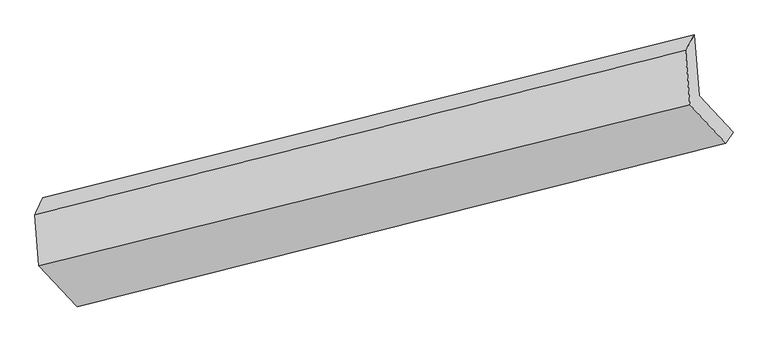
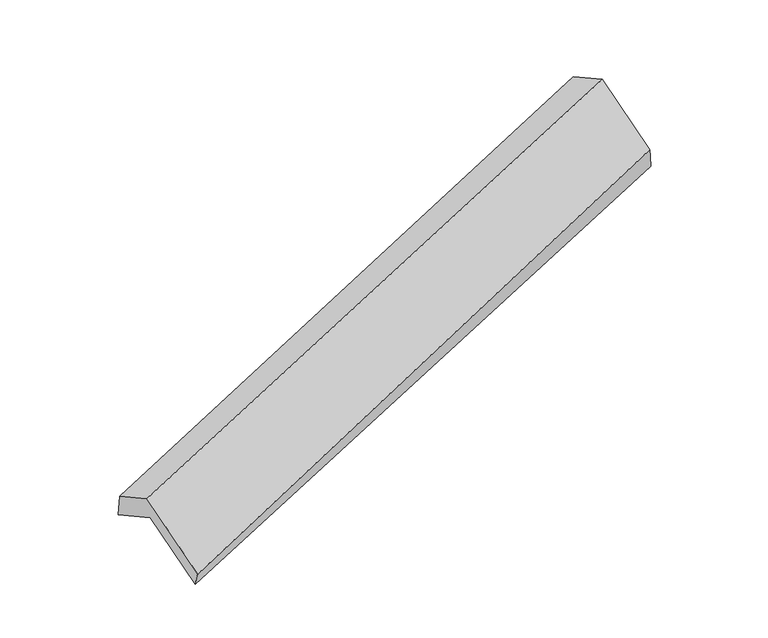
"""IFC4 building model written with IfcOpenShell, lengths in millimetres: proxy geometry."""

import ifcopenshell
import ifcopenshell.guid

model = None  # the IFC model being written
_history = None  # IfcOwnerHistory: only IFC2X3 demands one
_inside = {}  # id of a spatial element -> (the spatial element, [elements in it])
_under = {}  # id of a project, library or spatial element -> (it, [spatial elements below it])
_declared = {}  # id of a project -> (the project, [libraries it declares])
_typed = {}  # id of a type object -> (the type object, [elements of that type])
_made_of = {}  # id of a material, layer set ... -> (it, [elements and type objects made of it])


def new_model(schema):
    """Start an empty IFC model of exactly this schema.

    Asked for "IFC4X3", IfcOpenShell would pick the latest addendum, in which some entities
    have other attributes; the version numbers below select the first issue.
    IFC2X3 requires an IfcOwnerHistory on every rooted entity: one is made here for all.
    """
    global model, _history
    if schema == "IFC4X3":
        model = ifcopenshell.file(schema_version=(4, 3, 0, 0))
    else:
        model = ifcopenshell.file(schema=schema)
    _inside.clear()
    _under.clear()
    _declared.clear()
    _typed.clear()
    _made_of.clear()
    _history = None
    if model.schema == "IFC2X3":
        org = make("IfcOrganization", Name="unknown")
        user = make(
            "IfcPersonAndOrganization",
            ThePerson=make("IfcPerson", FamilyName="unknown"),
            TheOrganization=org,
        )
        app = make(
            "IfcApplication",
            ApplicationDeveloper=org,
            Version="unknown",
            ApplicationFullName="unknown",
            ApplicationIdentifier="unknown",
        )
        _history = make(
            "IfcOwnerHistory",
            OwningUser=user,
            OwningApplication=app,
            ChangeAction="ADDED",
            CreationDate=0,
        )
    return model


def make(cls, **values):
    """One entity of the class cls with the attributes given. An attribute that is None is left unset."""
    return model.create_entity(
        cls, **{name: value for name, value in values.items() if value is not None}
    )


def rooted(cls, **values):
    """An entity with a GlobalId (a new one), such as an element, a storey or a relation."""
    return make(cls, GlobalId=ifcopenshell.guid.new(), OwnerHistory=_history, **values)


def si_unit(unit_type, name, prefix=None):
    """IfcSIUnit, for example si_unit("LENGTHUNIT", "METRE", prefix="MILLI")."""
    return make("IfcSIUnit", UnitType=unit_type, Prefix=prefix, Name=name)


def assignment(units):
    """IfcUnitAssignment: the units of a project."""
    return None if units is None else make("IfcUnitAssignment", Units=units)


def point(xyz):
    """IfcCartesianPoint."""
    return None if xyz is None else make("IfcCartesianPoint", Coordinates=xyz)


def direction(xyz):
    """IfcDirection."""
    return None if xyz is None else make("IfcDirection", DirectionRatios=xyz)


def frame(location, z_axis=None, x_axis=None):
    """IfcAxis2Placement3D, a coordinate frame: its origin and axes. An axis left out is left unset."""
    return make(
        "IfcAxis2Placement3D",
        Location=point(location),
        Axis=direction(z_axis),
        RefDirection=direction(x_axis),
    )


def origin():
    """The frame at (0, 0, 0) with its axes left unset."""
    return frame((0.0, 0.0, 0.0))


def place(relative_to, where):
    """IfcLocalPlacement: puts the frame where relative to a parent placement (None: the world)."""
    return make(
        "IfcLocalPlacement", PlacementRelTo=relative_to, RelativePlacement=where
    )


def context(
    kind, dimensions, precision=None, world=None, true_north=None, identifier=None
):
    """IfcGeometricRepresentationContext, for example the 3D "Model" context."""
    return make(
        "IfcGeometricRepresentationContext",
        ContextIdentifier=identifier,
        ContextType=kind,
        CoordinateSpaceDimension=dimensions,
        Precision=precision,
        WorldCoordinateSystem=world,
        TrueNorth=true_north,
    )


def project(units=None, contexts=None):
    """IfcProject with its units and contexts."""
    return rooted(
        "IfcProject",
        Name="project",
        RepresentationContexts=contexts,
        UnitsInContext=assignment(units),
    )


def spatial(cls, under=None, at=None, **own):
    """A site, building, storey or space (cls), placed at a placement, below another one or the project."""
    s = rooted(cls, ObjectPlacement=at, **own)
    if under is not None:
        _under.setdefault(under.id(), (under, []))[1].append(s)
    return s


def shape(context_of_items, identifier, shape_type, items):
    """IfcShapeRepresentation: the items that make up one representation, for example the "Body"."""
    return make(
        "IfcShapeRepresentation",
        ContextOfItems=context_of_items,
        RepresentationIdentifier=identifier,
        RepresentationType=shape_type,
        Items=items,
    )


def source(mapping_origin, context_of_items, identifier, shape_type, items):
    """IfcRepresentationMap: a shape defined once, which mapped items show again and again."""
    return make(
        "IfcRepresentationMap",
        MappingOrigin=mapping_origin,
        MappedRepresentation=shape(context_of_items, identifier, shape_type, items),
    )


def transform(
    local_origin,
    x_axis=None,
    y_axis=None,
    z_axis=None,
    scale=None,
    scale2=None,
    scale3=None,
    uniform=True,
):
    """IfcCartesianTransformationOperator3D, or its non-uniform kind. x_axis, y_axis, z_axis: its Axis1, 2, 3."""
    if uniform:
        return make(
            "IfcCartesianTransformationOperator3D",
            Axis1=direction(x_axis),
            Axis2=direction(y_axis),
            LocalOrigin=point(local_origin),
            Scale=scale,
            Axis3=direction(z_axis),
        )
    return make(
        "IfcCartesianTransformationOperator3DnonUniform",
        Axis1=direction(x_axis),
        Axis2=direction(y_axis),
        LocalOrigin=point(local_origin),
        Scale=scale,
        Axis3=direction(z_axis),
        Scale2=scale2,
        Scale3=scale3,
    )


def mapped(mapping_source, mapping_target):
    """IfcMappedItem: shows the shape of a source again, moved by a transform."""
    return make(
        "IfcMappedItem", MappingSource=mapping_source, MappingTarget=mapping_target
    )


def made_of(thing, what):
    """Note that an element or type object is made of a material, layer set ...; save() writes the relation."""
    if what is not None:
        _made_of.setdefault(what.id(), (what, []))[1].append(thing)
    return thing


def element(
    cls,
    number,
    at=None,
    inside=None,
    cuts=None,
    type_object=None,
    material=None,
    context=None,
    identifier="Body",
    shape_type=None,
    held_by="IfcProductDefinitionShape",
    body=None,
    shapes=None,
    **own,
):
    """One element of the class cls, such as IfcWall. Its Tag is "e" and its number.

    at: its placement. inside: the storey or other place that contains it. cuts: it is an
    opening in that element (IfcRelVoidsElement). A single representation is given by context,
    identifier, shape_type and body (its items); several are given by shapes. held_by: the class
    of the entity that holds the representations. save() writes the other relations.
    """
    e = rooted(cls, Tag="e%d" % number, ObjectPlacement=at, **own)
    if body is not None:
        shapes = [shape(context, identifier, shape_type, body)]
    if shapes is not None:
        e.Representation = make(held_by, Representations=shapes)
    if inside is not None:
        _inside.setdefault(inside.id(), (inside, []))[1].append(e)
    if cuts is not None:
        rooted(
            "IfcRelVoidsElement", RelatingBuildingElement=cuts, RelatedOpeningElement=e
        )
    if type_object is not None:
        _typed.setdefault(type_object.id(), (type_object, []))[1].append(e)
    return made_of(e, material)


def aggregate(whole, parts):
    """IfcRelAggregates: a whole, such as a stair, and the parts it consists of."""
    return rooted("IfcRelAggregates", RelatingObject=whole, RelatedObjects=parts)


def save(model, path):
    """Write the relations noted so far, then the file.

    IfcRelAggregates (storeys below a building ...), IfcRelContainedInSpatialStructure (elements
    in a storey), IfcRelDefinesByType, IfcRelAssociatesMaterial and IfcRelDeclares: one each for
    every whole, place, type object, material and project.
    """
    for whole, parts in _under.values():
        aggregate(whole, parts)
    for where, things in _inside.values():
        rooted(
            "IfcRelContainedInSpatialStructure",
            RelatedElements=things,
            RelatingStructure=where,
        )
    for kind, things in _typed.values():
        rooted("IfcRelDefinesByType", RelatedObjects=things, RelatingType=kind)
    for what, things in _made_of.values():
        rooted("IfcRelAssociatesMaterial", RelatedObjects=things, RelatingMaterial=what)
    for by, libraries in _declared.values():
        rooted("IfcRelDeclares", RelatingContext=by, RelatedDefinitions=libraries)
    model.write(path)


def plane_surface(at):
    """IfcPlane: the flat surface through the origin of the frame at, square to its z axis."""
    return make("IfcPlane", Position=at)


def spline_surface(u_degree, v_degree, points, u_multiplicities, v_multiplicities, u_knots, v_knots, weights=None):
    """IfcBSplineSurfaceWithKnots; with weights, IfcRationalBSplineSurfaceWithKnots. points: one row for each step in u."""
    own = dict(
        UDegree=u_degree,
        VDegree=v_degree,
        ControlPointsList=[[point(p) for p in row] for row in points],
        SurfaceForm="UNSPECIFIED",
        UClosed=False,
        VClosed=False,
        SelfIntersect=False,
        UMultiplicities=u_multiplicities,
        VMultiplicities=v_multiplicities,
        UKnots=u_knots,
        VKnots=v_knots,
        KnotSpec="UNSPECIFIED",
    )
    if weights is None:
        return make("IfcBSplineSurfaceWithKnots", **own)
    return make("IfcRationalBSplineSurfaceWithKnots", WeightsData=weights, **own)


def advanced_brep(points, edges, surfaces, faces):
    """IfcAdvancedBrep: a solid bounded by faces that lie on surfaces and meet in shared edges.

    An edge is (start, end): straight between two places in points (the first is 0);
    or (start, end, curve); or (start, end, curve, False) where it runs against its curve.
    A face is (place in surfaces, loops), or (place, loops, False) where it looks against
    its surface's normal. A loop lists edges by number (the first is 1), with a minus sign
    where the edge is run from its end to its start. The first loop is the outer one.
    """
    corners = [point(p) for p in points]
    vertices = [make("IfcVertexPoint", VertexGeometry=c) for c in corners]
    made = []
    for start, end, *more in edges:
        made.append(
            make(
                "IfcEdgeCurve",
                EdgeStart=vertices[start],
                EdgeEnd=vertices[end],
                EdgeGeometry=more[0] if more else make("IfcPolyline", Points=[corners[start], corners[end]]),
                SameSense=more[1] if len(more) > 1 else True,
            )
        )
    hull = []
    for where, loops, *sense in faces:
        bounds = []
        for j, loop in enumerate(loops):
            ring = [make("IfcOrientedEdge", EdgeElement=made[abs(k) - 1], Orientation=k > 0) for k in loop]
            bounds.append(
                make(
                    "IfcFaceOuterBound" if j == 0 else "IfcFaceBound",
                    Bound=make("IfcEdgeLoop", EdgeList=ring),
                    Orientation=True,
                )
            )
        hull.append(make("IfcAdvancedFace", Bounds=bounds, FaceSurface=surfaces[where], SameSense=sense[0] if sense else True))
    return make("IfcAdvancedBrep", Outer=make("IfcClosedShell", CfsFaces=hull))


def generic_models_1f693af8(model_context):
    return source(origin(), model_context, "Body", "AdvancedBrep", [
        advanced_brep(
        [(-4880.5770477, -2317.2540885, 813.785094), (-5111.2298921, -2069.765242, 1330.5682469), (-690.6601506, -970.0441377, 2788.8684522), (-460.0073061, -1217.5329841, 2272.0852992), (-5143.6729276, -1659.8031156, 1119.7561654), (-723.4261643, -556.0007391, 2575.9576854), (-5197.2212798, -1775.5519159, 1370.6240777), (-782.6252568, -660.7122262, 2835.727282), (-5169.8507247, -2121.4163156, 1548.4756139), (-753.4577945, -1029.2830072, 3025.2549689), (-4909.1309824, -2401.1667276, 964.3268652), (-510.3716355, -1290.1127108, 2480.6146808)],
        [
            (0, 1),
            (1, 2),
            (2, 3),
            (3, 0),
            (1, 4),
            (4, 5),
            (5, 2),
            (4, 6),
            (6, 7),
            (7, 5),
            (6, 8),
            (8, 9),
            (9, 7),
            (8, 10),
            (10, 11),
            (11, 9),
            (10, 0),
            (3, 11),
        ],
        [
            plane_surface(frame((-4995.9034699, -2193.5096653, 1072.1766704), z_axis=(-0.07020341539619833, 0.8871161740341728, -0.45617581504687443), x_axis=(-0.3734240382488814, 0.40068131250714345, 0.8366653891882052))),
            plane_surface(frame((-5127.4514098, -1864.7841788, 1225.1622062), z_axis=(0.3753571400797202, -0.4002014865305636, -0.8360297767244302), x_axis=(-0.0702034153961952, 0.8871161740341714, -0.4561758150468775))),
            spline_surface(1, 1, [[(-5143.6729276, -1659.8031156, 1119.7561654), (-723.4261643, -556.0007391, 2575.9576854)], [(-5197.2212798, -1775.5519159, 1370.6240777), (-782.6252568, -660.7122262, 2835.727282)]], [2, 2], [2, 2], [0.0, 1.0], [0.0, 1.0]),
            plane_surface(frame((-5183.5360023, -1948.4841158, 1459.5498458), z_axis=(-0.3780568899747786, 0.39952775164468124, 0.8351350571065401), x_axis=(0.07020341539619528, -0.887116174034171, 0.4561758150468782))),
            plane_surface(frame((-5039.4908536, -2261.2915216, 1256.4012396), z_axis=(0.06732777883266972, -0.8878239786352834, 0.455231318296177), x_axis=(0.3734240382488785, -0.40068131250715155, -0.8366653891882027))),
            spline_surface(1, 1, [[(-4909.1309824, -2401.1667276, 964.3268652), (-510.3716355, -1290.1127108, 2480.6146808)], [(-4880.5770477, -2317.2540885, 813.785094), (-460.0073061, -1217.5329841, 2272.0852992)]], [2, 2], [2, 2], [0.0, 1.0], [0.0, 1.0]),
            plane_surface(frame((-653.424718, -953.9476342, 2663.0847281), z_axis=(0.9250005233104517, 0.2290837828710799, 0.30314130748030155), x_axis=(0.3734240382488785, -0.40068131250715155, -0.8366653891882027))),
            plane_surface(frame((-5068.6138091, -2057.4929009, 1191.2560105), z_axis=(-0.9250005233104525, -0.2290837828710608, -0.3031413074803131), x_axis=(-0.1634471588139106, -0.48032898374649186, 0.8617244882494188))),
        ],
        [
            (0, [[1, 2, 3, 4]]),
            (1, [[5, 6, 7, -2]]),
            (2, [[8, 9, 10, -6]]),
            (3, [[11, 12, 13, -9]]),
            (4, [[14, 15, 16, -12]]),
            (5, [[17, -4, 18, -15]]),
            (6, [[-16, -18, -3, -7, -10, -13]]),
            (7, [[-17, -14, -11, -8, -5, -1]]),
        ],
    ),
    ])


if __name__ == "__main__":
    model = new_model("IFC4")
    model_context = context("Model", 3, world=origin())
    ifc_project = project(units=[si_unit("LENGTHUNIT", "METRE", prefix="MILLI")], contexts=[model_context])
    site = spatial("IfcSite", under=ifc_project)
    building = spatial("IfcBuilding", under=site)
    placement = place(None, origin())
    generic_models_shape = generic_models_1f693af8(model_context)
    element("IfcBuildingElementProxy", 1, Name="Generic Models", at=placement, inside=building, context=model_context, shape_type="MappedRepresentation", body=[
        mapped(generic_models_shape, transform((0.0, 0.0, 0.0), x_axis=(1.0, 0.0, 0.0), y_axis=(0.0, 1.0, 0.0), z_axis=(0.0, 0.0, 1.0))),
    ])
    save(model, "model.ifc")
